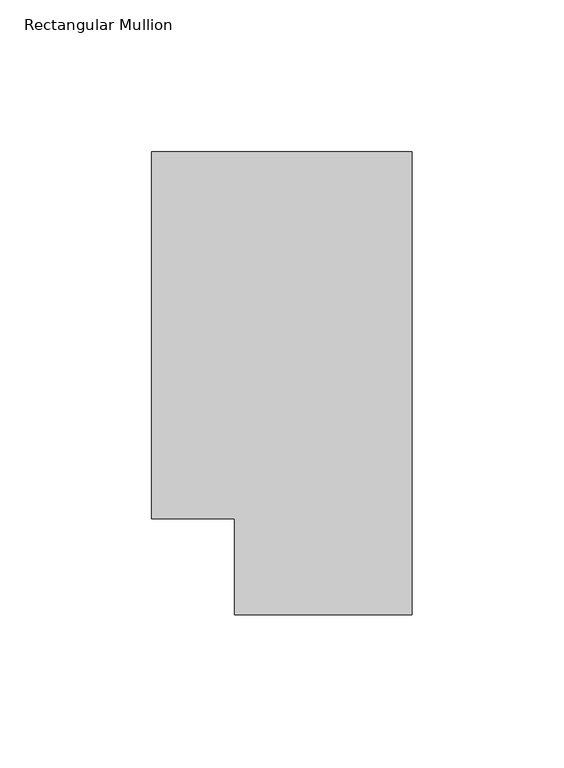
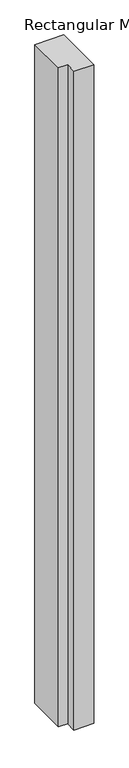
"""IFC4 building model written with IfcOpenShell, lengths in millimetres: member geometry, Rectangular Mullion."""

from ifc_helpers import new_model, si_unit, frame, origin, place, context, project, spatial, polyline, outline, extrude, source, transform, mapped, element, save


def rectangular_mullion_8ff5fead(model_context):
    return source(origin(), model_context, "Body", "SweptSolid", [
        extrude(outline(polyline([(0.0, 152.4), (0.0, 0.0), (-58.4073, 0.0), (-58.4073, 31.75), (-85.7123, 31.75), (-85.7123, 152.4), (0.0, 152.4)])), frame((0.0, 0.0, -2057.3828337), z_axis=(0.0, 0.0, 1.0), x_axis=(1.0, 0.0, 0.0)), (0.0, 0.0, 1.0), 2057.3828337),
    ])


if __name__ == "__main__":
    model = new_model("IFC4")
    model_context = context("Model", 3, world=origin())
    ifc_project = project(units=[si_unit("LENGTHUNIT", "METRE", prefix="MILLI")], contexts=[model_context])
    site = spatial("IfcSite", under=ifc_project)
    building = spatial("IfcBuilding", under=site)
    placement = place(None, origin())
    rectangular_mullion_shape = rectangular_mullion_8ff5fead(model_context)
    element("IfcMember", 1, ObjectType="Rectangular Mullion", at=placement, inside=building, context=model_context, shape_type="MappedRepresentation", body=[
        mapped(rectangular_mullion_shape, transform((0.0, 0.0, 0.0), x_axis=(1.0, 0.0, 0.0), y_axis=(0.0, 1.0, 0.0), z_axis=(0.0, 0.0, 1.0))),
    ])
    save(model, "model.ifc")
